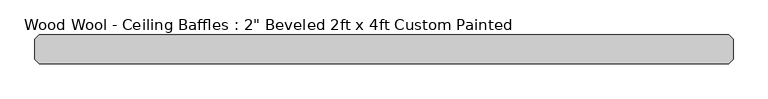
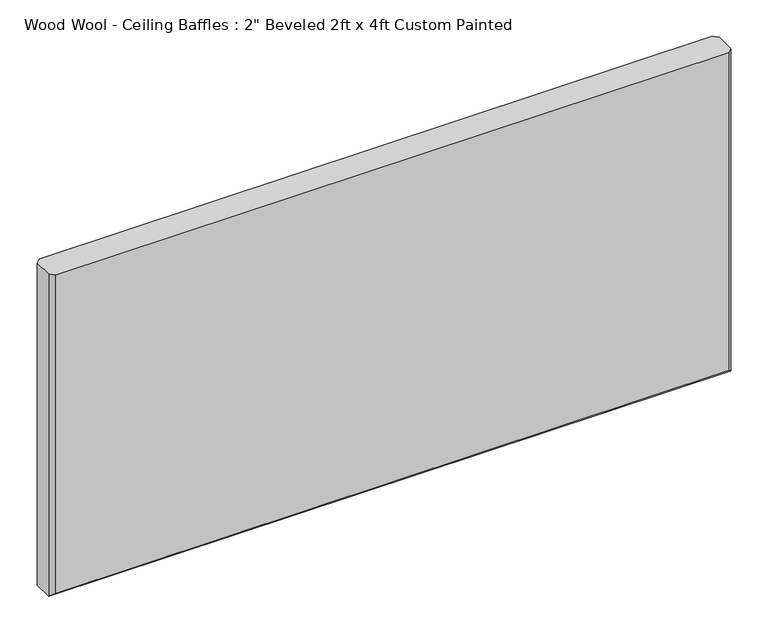
"""IFC4 building model written with IfcOpenShell, lengths in millimetres: proxy geometry."""

from ifc_helpers import new_model, si_unit, origin, place, context, project, spatial, faceted_brep, source, transform, mapped, element, save


def proxy_1ec64eb3(model_context):
    return source(origin(), model_context, "Body", "Brep", [
        faceted_brep([(601.599, -50.8, 609.6), (-601.599, -50.8, 609.6), (-601.599, -50.8, 8.001), (601.599, -50.8, 8.001), (-601.599, 0.0, 609.6), (601.599, 0.0, 609.6), (601.599, 0.0, 8.001), (-601.599, 0.0, 8.001), (609.6, -42.799, 609.6), (609.6, -42.799, 0.0), (609.6, -8.001, 0.0), (609.6, -8.001, 609.6), (-609.6, -8.001, 609.6), (-609.6, -42.799, 609.6), (-609.6, -42.799, 0.0), (-609.6, -8.001, 0.0)], [[[0, 1, 2, 3]], [[4, 5, 6, 7]], [[8, 9, 10, 11]], [[1, 0, 8, 11, 5, 4, 12, 13]], [[14, 13, 12, 15]], [[9, 14, 15, 10]], [[9, 3, 2, 14]], [[3, 9, 8, 0]], [[14, 2, 1, 13]], [[10, 6, 5, 11]], [[6, 10, 15, 7]], [[7, 15, 12, 4]]]),
    ])


if __name__ == "__main__":
    model = new_model("IFC4")
    model_context = context("Model", 3, world=origin())
    ifc_project = project(units=[si_unit("LENGTHUNIT", "METRE", prefix="MILLI")], contexts=[model_context])
    site = spatial("IfcSite", under=ifc_project)
    building = spatial("IfcBuilding", under=site)
    placement = place(None, origin())
    proxy_shape = proxy_1ec64eb3(model_context)
    element("IfcBuildingElementProxy", 1, Name="Wood Wool - Ceiling Baffles : 2\" Beveled 2ft x 4ft Custom Painted", ObjectType="Wood Wool - Ceiling Baffles : 2\" Beveled 2ft x 4ft Custom Painted", at=placement, inside=building, context=model_context, shape_type="MappedRepresentation", body=[
        mapped(proxy_shape, transform((0.0, 0.0, 0.0), x_axis=(1.0, 0.0, 0.0), y_axis=(0.0, 1.0, 0.0), z_axis=(0.0, 0.0, 1.0))),
    ])
    save(model, "model.ifc")
